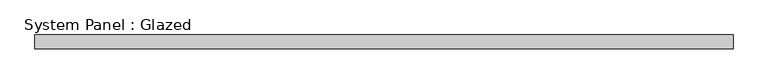
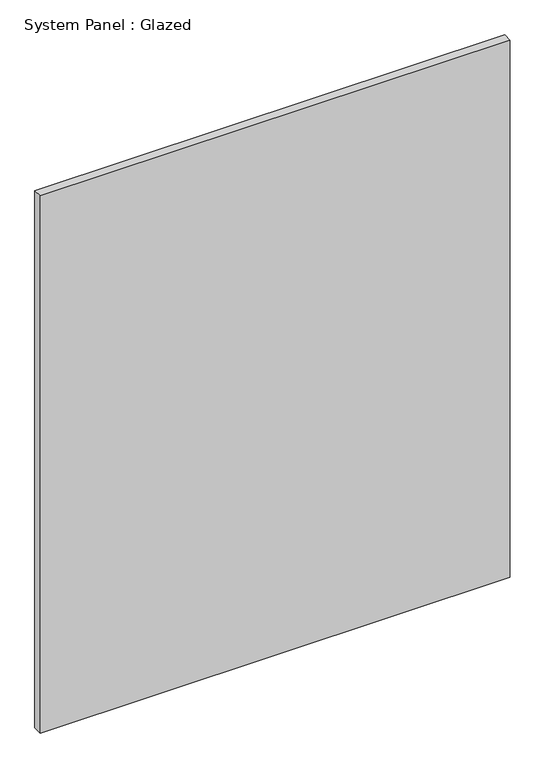
"""IFC4 building model written with IfcOpenShell, lengths in millimetres: plate geometry, System Panel : Glazed."""

import ifcopenshell
import ifcopenshell.guid

model = None  # the IFC model being written
_history = None  # IfcOwnerHistory: only IFC2X3 demands one
_inside = {}  # id of a spatial element -> (the spatial element, [elements in it])
_under = {}  # id of a project, library or spatial element -> (it, [spatial elements below it])
_declared = {}  # id of a project -> (the project, [libraries it declares])
_typed = {}  # id of a type object -> (the type object, [elements of that type])
_made_of = {}  # id of a material, layer set ... -> (it, [elements and type objects made of it])


def new_model(schema):
    """Start an empty IFC model of exactly this schema.

    Asked for "IFC4X3", IfcOpenShell would pick the latest addendum, in which some entities
    have other attributes; the version numbers below select the first issue.
    IFC2X3 requires an IfcOwnerHistory on every rooted entity: one is made here for all.
    """
    global model, _history
    if schema == "IFC4X3":
        model = ifcopenshell.file(schema_version=(4, 3, 0, 0))
    else:
        model = ifcopenshell.file(schema=schema)
    _inside.clear()
    _under.clear()
    _declared.clear()
    _typed.clear()
    _made_of.clear()
    _history = None
    if model.schema == "IFC2X3":
        org = make("IfcOrganization", Name="unknown")
        user = make(
            "IfcPersonAndOrganization",
            ThePerson=make("IfcPerson", FamilyName="unknown"),
            TheOrganization=org,
        )
        app = make(
            "IfcApplication",
            ApplicationDeveloper=org,
            Version="unknown",
            ApplicationFullName="unknown",
            ApplicationIdentifier="unknown",
        )
        _history = make(
            "IfcOwnerHistory",
            OwningUser=user,
            OwningApplication=app,
            ChangeAction="ADDED",
            CreationDate=0,
        )
    return model


def make(cls, **values):
    """One entity of the class cls with the attributes given. An attribute that is None is left unset."""
    return model.create_entity(
        cls, **{name: value for name, value in values.items() if value is not None}
    )


def rooted(cls, **values):
    """An entity with a GlobalId (a new one), such as an element, a storey or a relation."""
    return make(cls, GlobalId=ifcopenshell.guid.new(), OwnerHistory=_history, **values)


def si_unit(unit_type, name, prefix=None):
    """IfcSIUnit, for example si_unit("LENGTHUNIT", "METRE", prefix="MILLI")."""
    return make("IfcSIUnit", UnitType=unit_type, Prefix=prefix, Name=name)


def assignment(units):
    """IfcUnitAssignment: the units of a project."""
    return None if units is None else make("IfcUnitAssignment", Units=units)


def point(xyz):
    """IfcCartesianPoint."""
    return None if xyz is None else make("IfcCartesianPoint", Coordinates=xyz)


def direction(xyz):
    """IfcDirection."""
    return None if xyz is None else make("IfcDirection", DirectionRatios=xyz)


def frame(location, z_axis=None, x_axis=None):
    """IfcAxis2Placement3D, a coordinate frame: its origin and axes. An axis left out is left unset."""
    return make(
        "IfcAxis2Placement3D",
        Location=point(location),
        Axis=direction(z_axis),
        RefDirection=direction(x_axis),
    )


def origin():
    """The frame at (0, 0, 0) with its axes left unset."""
    return frame((0.0, 0.0, 0.0))


def origin_with_axes():
    """The frame at (0, 0, 0) with the z axis (0, 0, 1) and the x axis (1, 0, 0) written out."""
    return frame((0.0, 0.0, 0.0), z_axis=(0.0, 0.0, 1.0), x_axis=(1.0, 0.0, 0.0))


def place(relative_to, where):
    """IfcLocalPlacement: puts the frame where relative to a parent placement (None: the world)."""
    return make(
        "IfcLocalPlacement", PlacementRelTo=relative_to, RelativePlacement=where
    )


def context(
    kind, dimensions, precision=None, world=None, true_north=None, identifier=None
):
    """IfcGeometricRepresentationContext, for example the 3D "Model" context."""
    return make(
        "IfcGeometricRepresentationContext",
        ContextIdentifier=identifier,
        ContextType=kind,
        CoordinateSpaceDimension=dimensions,
        Precision=precision,
        WorldCoordinateSystem=world,
        TrueNorth=true_north,
    )


def project(units=None, contexts=None):
    """IfcProject with its units and contexts."""
    return rooted(
        "IfcProject",
        Name="project",
        RepresentationContexts=contexts,
        UnitsInContext=assignment(units),
    )


def spatial(cls, under=None, at=None, **own):
    """A site, building, storey or space (cls), placed at a placement, below another one or the project."""
    s = rooted(cls, ObjectPlacement=at, **own)
    if under is not None:
        _under.setdefault(under.id(), (under, []))[1].append(s)
    return s


def polyline(points):
    """IfcPolyline through the points."""
    return make("IfcPolyline", Points=[point(p) for p in points])


def outline(outer, holes=None, kind="AREA"):
    """IfcArbitraryClosedProfileDef: a profile drawn as a closed curve; with holes, ...WithVoids."""
    if holes is None:
        return make("IfcArbitraryClosedProfileDef", ProfileType=kind, OuterCurve=outer)
    return make(
        "IfcArbitraryProfileDefWithVoids",
        ProfileType=kind,
        OuterCurve=outer,
        InnerCurves=holes,
    )


def extrude(swept, where, along, depth):
    """IfcExtrudedAreaSolid: the profile swept, set in the frame where, extruded along a direction by depth."""
    return make(
        "IfcExtrudedAreaSolid",
        SweptArea=swept,
        Position=where,
        ExtrudedDirection=direction(along),
        Depth=depth,
    )


def shape(context_of_items, identifier, shape_type, items):
    """IfcShapeRepresentation: the items that make up one representation, for example the "Body"."""
    return make(
        "IfcShapeRepresentation",
        ContextOfItems=context_of_items,
        RepresentationIdentifier=identifier,
        RepresentationType=shape_type,
        Items=items,
    )


def source(mapping_origin, context_of_items, identifier, shape_type, items):
    """IfcRepresentationMap: a shape defined once, which mapped items show again and again."""
    return make(
        "IfcRepresentationMap",
        MappingOrigin=mapping_origin,
        MappedRepresentation=shape(context_of_items, identifier, shape_type, items),
    )


def transform(
    local_origin,
    x_axis=None,
    y_axis=None,
    z_axis=None,
    scale=None,
    scale2=None,
    scale3=None,
    uniform=True,
):
    """IfcCartesianTransformationOperator3D, or its non-uniform kind. x_axis, y_axis, z_axis: its Axis1, 2, 3."""
    if uniform:
        return make(
            "IfcCartesianTransformationOperator3D",
            Axis1=direction(x_axis),
            Axis2=direction(y_axis),
            LocalOrigin=point(local_origin),
            Scale=scale,
            Axis3=direction(z_axis),
        )
    return make(
        "IfcCartesianTransformationOperator3DnonUniform",
        Axis1=direction(x_axis),
        Axis2=direction(y_axis),
        LocalOrigin=point(local_origin),
        Scale=scale,
        Axis3=direction(z_axis),
        Scale2=scale2,
        Scale3=scale3,
    )


def mapped(mapping_source, mapping_target):
    """IfcMappedItem: shows the shape of a source again, moved by a transform."""
    return make(
        "IfcMappedItem", MappingSource=mapping_source, MappingTarget=mapping_target
    )


def made_of(thing, what):
    """Note that an element or type object is made of a material, layer set ...; save() writes the relation."""
    if what is not None:
        _made_of.setdefault(what.id(), (what, []))[1].append(thing)
    return thing


def element(
    cls,
    number,
    at=None,
    inside=None,
    cuts=None,
    type_object=None,
    material=None,
    context=None,
    identifier="Body",
    shape_type=None,
    held_by="IfcProductDefinitionShape",
    body=None,
    shapes=None,
    **own,
):
    """One element of the class cls, such as IfcWall. Its Tag is "e" and its number.

    at: its placement. inside: the storey or other place that contains it. cuts: it is an
    opening in that element (IfcRelVoidsElement). A single representation is given by context,
    identifier, shape_type and body (its items); several are given by shapes. held_by: the class
    of the entity that holds the representations. save() writes the other relations.
    """
    e = rooted(cls, Tag="e%d" % number, ObjectPlacement=at, **own)
    if body is not None:
        shapes = [shape(context, identifier, shape_type, body)]
    if shapes is not None:
        e.Representation = make(held_by, Representations=shapes)
    if inside is not None:
        _inside.setdefault(inside.id(), (inside, []))[1].append(e)
    if cuts is not None:
        rooted(
            "IfcRelVoidsElement", RelatingBuildingElement=cuts, RelatedOpeningElement=e
        )
    if type_object is not None:
        _typed.setdefault(type_object.id(), (type_object, []))[1].append(e)
    return made_of(e, material)


def aggregate(whole, parts):
    """IfcRelAggregates: a whole, such as a stair, and the parts it consists of."""
    return rooted("IfcRelAggregates", RelatingObject=whole, RelatedObjects=parts)


def save(model, path):
    """Write the relations noted so far, then the file.

    IfcRelAggregates (storeys below a building ...), IfcRelContainedInSpatialStructure (elements
    in a storey), IfcRelDefinesByType, IfcRelAssociatesMaterial and IfcRelDeclares: one each for
    every whole, place, type object, material and project.
    """
    for whole, parts in _under.values():
        aggregate(whole, parts)
    for where, things in _inside.values():
        rooted(
            "IfcRelContainedInSpatialStructure",
            RelatedElements=things,
            RelatingStructure=where,
        )
    for kind, things in _typed.values():
        rooted("IfcRelDefinesByType", RelatedObjects=things, RelatingType=kind)
    for what, things in _made_of.values():
        rooted("IfcRelAssociatesMaterial", RelatedObjects=things, RelatingMaterial=what)
    for by, libraries in _declared.values():
        rooted("IfcRelDeclares", RelatingContext=by, RelatedDefinitions=libraries)
    model.write(path)


def system_panel_glazed_2ecb0df7(model_context):
    return source(origin(), model_context, "Body", "SweptSolid", [
        extrude(outline(polyline([(631.25, 24.5), (-631.25, 24.5), (-631.25, 49.5), (631.25, 49.5), (631.25, 24.5)])), origin_with_axes(), (0.0, 0.0, 1.0), 1525.0),
    ])


if __name__ == "__main__":
    model = new_model("IFC4")
    model_context = context("Model", 3, world=origin())
    ifc_project = project(units=[si_unit("LENGTHUNIT", "METRE", prefix="MILLI")], contexts=[model_context])
    site = spatial("IfcSite", under=ifc_project)
    building = spatial("IfcBuilding", under=site)
    placement = place(None, origin())
    system_panel_glazed_shape = system_panel_glazed_2ecb0df7(model_context)
    element("IfcPlate", 1, ObjectType="System Panel : Glazed", at=placement, inside=building, context=model_context, shape_type="MappedRepresentation", body=[
        mapped(system_panel_glazed_shape, transform((0.0, 0.0, 0.0), x_axis=(1.0, 0.0, 0.0), y_axis=(0.0, 1.0, 0.0), z_axis=(0.0, 0.0, 1.0))),
    ])
    save(model, "model.ifc")
